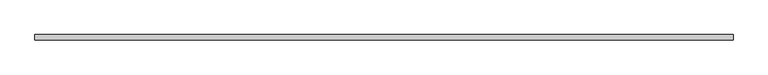
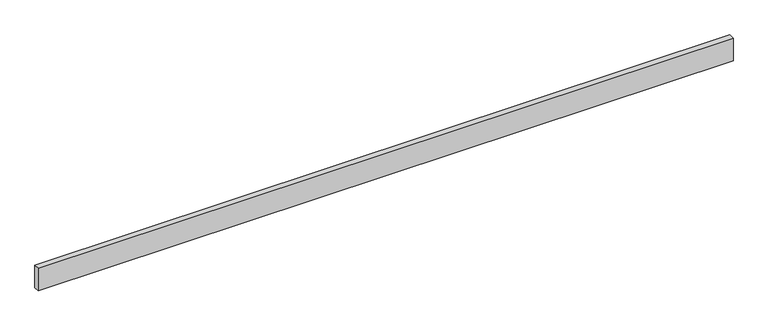
"""IFC4 building model written with IfcOpenShell, lengths in millimetres: beam geometry."""

from ifc_helpers import new_model, si_unit, frame, origin, place, context, project, spatial, polyline, outline, extrude, source, transform, mapped, element, save


def beam_a5393eb4(model_context):
    return source(origin(), model_context, "Body", "SweptSolid", [
        extrude(outline(polyline([(-2895.6, 22.5), (2895.6, 22.5), (2895.6, -22.5), (-2895.6, -22.5), (-2895.6, 22.5)])), frame((0.0, 0.0, -100.0), z_axis=(0.0, 0.0, 1.0), x_axis=(1.0, 0.0, 0.0)), (0.0, 0.0, 1.0), 200.0),
    ])


if __name__ == "__main__":
    model = new_model("IFC4")
    model_context = context("Model", 3, world=origin())
    ifc_project = project(units=[si_unit("LENGTHUNIT", "METRE", prefix="MILLI")], contexts=[model_context])
    site = spatial("IfcSite", under=ifc_project)
    building = spatial("IfcBuilding", under=site)
    placement = place(None, origin())
    beam_shape = beam_a5393eb4(model_context)
    element("IfcBeam", 1, at=placement, inside=building, context=model_context, shape_type="MappedRepresentation", body=[
        mapped(beam_shape, transform((0.0, 0.0, 0.0), x_axis=(1.0, 0.0, 0.0), y_axis=(0.0, 1.0, 0.0), z_axis=(0.0, 0.0, 1.0))),
    ])
    save(model, "model.ifc")
